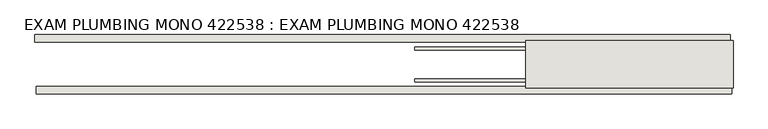
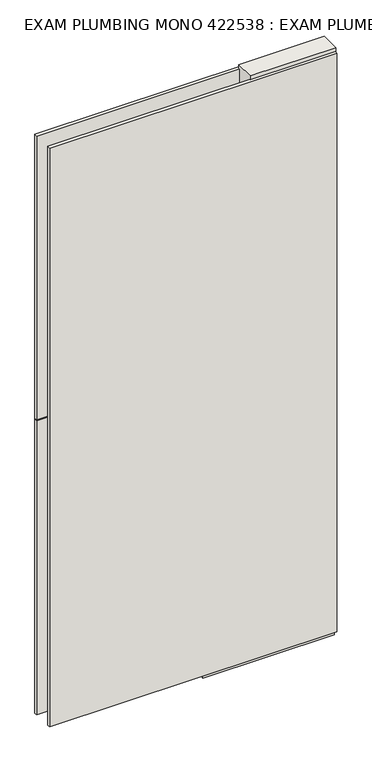
"""IFC4 building model written with IfcOpenShell, lengths in millimetres: wall geometry, EXAM PLUMBING MONO 422538 : EXAM PLUMBING MONO 422538."""

from ifc_helpers import new_model, si_unit, frame, origin, place, context, project, spatial, polyline, outline, extrude, source, transform, mapped, element, save


def exam_plumbing_mono_422538_exam_plumbing_mono_422538_9d5232f5(model_context):
    return source(origin(), model_context, "Body", "SweptSolid", [
        extrude(outline(polyline([(75129.368918, -43072.0636398), (75131.908918, -43072.0636398), (75131.908918, -43074.6036398), (75129.368918, -43074.6036398), (75129.368918, -43072.0636398)])), frame((0.0, 0.0, 4419.6), z_axis=(0.0, 0.0, 1.0), x_axis=(1.0, 0.0, 0.0)), (0.0, 0.0, 1.0), 2.54),
        extrude(outline(polyline([(75129.9123129, -43124.1336398), (73936.4121091, -43124.1336398), (73936.4121091, -43111.4336398), (75129.9123129, -43111.4336398), (75129.9123129, -43124.1336398)])), frame((0.0, 0.0, 4445.0), z_axis=(0.0, 0.0, 1.0), x_axis=(1.0, 0.0, 0.0)), (0.0, 0.0, 1.0), 2545.0498756),
        extrude(outline(polyline([(73933.9440419, -43022.5336398), (75127.4442457, -43022.5336398), (75127.4442457, -43035.2336398), (73933.9440419, -43035.2336398), (73933.9440419, -43022.5336398)])), frame((0.0, 0.0, 4445.0), z_axis=(0.0, 0.0, 1.0), x_axis=(1.0, 0.0, 0.0)), (0.0, 0.0, 1.0), 1293.400004),
        extrude(outline(polyline([(73933.9440419, -43022.5336398), (75127.4442457, -43022.5336398), (75127.4442457, -43035.2336398), (73933.9440419, -43035.2336398), (73933.9440419, -43022.5336398)])), frame((0.0, 0.0, 5742.399869), z_axis=(0.0, 0.0, 1.0), x_axis=(1.0, 0.0, 0.0)), (0.0, 0.0, 1.0), 1247.649905),
        extrude(outline(polyline([(74585.803965, -43098.4142856), (75131.903965, -43098.4142856), (75131.903965, -43103.4961398), (74585.803965, -43103.4961398), (74585.803965, -43098.4142856)])), frame((0.0, 0.0, 4418.6602), z_axis=(0.0, 0.0, 1.0), x_axis=(1.0, 0.0, 0.0)), (0.0, 0.0, 1.0), 47.625),
        extrude(outline(polyline([(74585.803965, -43098.4142856), (75131.903965, -43098.4142856), (75131.903965, -43103.4961398), (74585.803965, -43103.4961398), (74585.803965, -43098.4142856)])), frame((0.0, 0.0, 4418.6602), z_axis=(0.0, 0.0, 1.0), x_axis=(1.0, 0.0, 0.0)), (0.0, 0.0, 1.0), 47.625),
        extrude(outline(polyline([(75131.903965, -43048.2498952), (74585.803965, -43048.2498952), (74585.803965, -43043.1711398), (75131.903965, -43043.1711398), (75131.903965, -43048.2498952)])), frame((0.0, 0.0, 4418.6602), z_axis=(0.0, 0.0, 1.0), x_axis=(1.0, 0.0, 0.0)), (0.0, 0.0, 1.0), 47.625),
        extrude(outline(polyline([(75131.903965, -43048.2498952), (74585.803965, -43048.2498952), (74585.803965, -43043.1711398), (75131.903965, -43043.1711398), (75131.903965, -43048.2498952)])), frame((0.0, 0.0, 4418.6602), z_axis=(0.0, 0.0, 1.0), x_axis=(1.0, 0.0, 0.0)), (0.0, 0.0, 1.0), 47.625),
        extrude(outline(polyline([(74776.303965, -43113.9854254), (74776.303965, -43032.70667), (75131.903965, -43032.70667), (75131.903965, -43113.9854254), (74776.303965, -43113.9854254)])), frame((0.0, 0.0, 4445.0), z_axis=(0.0, 0.0, 1.0), x_axis=(1.0, 0.0, 0.0)), (0.0, 0.0, 1.0), 2562.4536762),
    ])


if __name__ == "__main__":
    model = new_model("IFC4")
    model_context = context("Model", 3, world=origin())
    ifc_project = project(units=[si_unit("LENGTHUNIT", "METRE", prefix="MILLI")], contexts=[model_context])
    site = spatial("IfcSite", under=ifc_project)
    building = spatial("IfcBuilding", under=site)
    placement = place(None, origin())
    exam_plumbing_mono_422538_exam_plumbing_mono_422538_shape = exam_plumbing_mono_422538_exam_plumbing_mono_422538_9d5232f5(model_context)
    element("IfcWall", 1, ObjectType="EXAM PLUMBING MONO 422538 : EXAM PLUMBING MONO 422538", at=placement, inside=building, context=model_context, shape_type="MappedRepresentation", body=[
        mapped(exam_plumbing_mono_422538_exam_plumbing_mono_422538_shape, transform((0.0, 0.0, 0.0), x_axis=(1.0, 0.0, 0.0), y_axis=(0.0, 1.0, 0.0), z_axis=(0.0, 0.0, 1.0))),
    ])
    save(model, "model.ifc")
